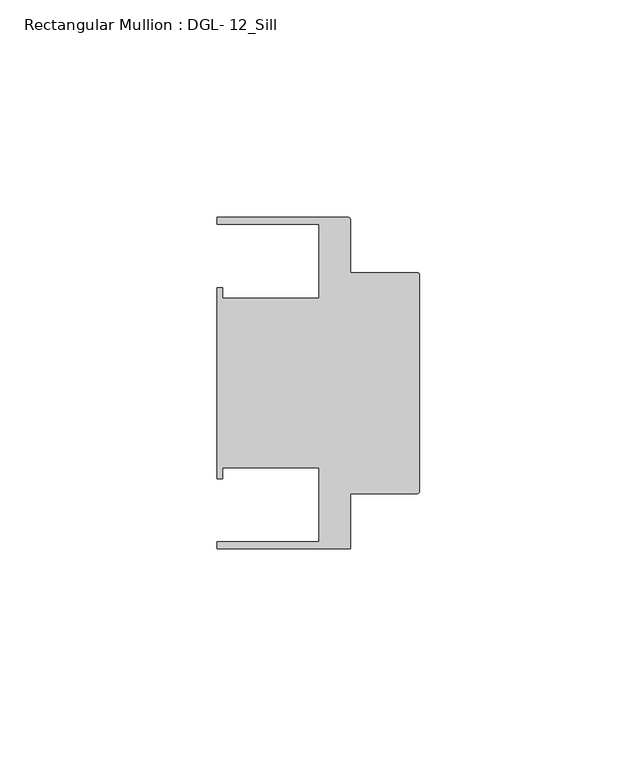
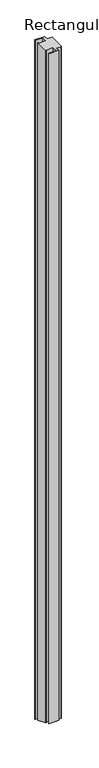
"""IFC4 building model written with IfcOpenShell, lengths in millimetres: member geometry, Rectangular Mullion : DGL- 12_Sill."""

import ifcopenshell
import ifcopenshell.guid

model = None  # the IFC model being written
_history = None  # IfcOwnerHistory: only IFC2X3 demands one
_inside = {}  # id of a spatial element -> (the spatial element, [elements in it])
_under = {}  # id of a project, library or spatial element -> (it, [spatial elements below it])
_declared = {}  # id of a project -> (the project, [libraries it declares])
_typed = {}  # id of a type object -> (the type object, [elements of that type])
_made_of = {}  # id of a material, layer set ... -> (it, [elements and type objects made of it])


def new_model(schema):
    """Start an empty IFC model of exactly this schema.

    Asked for "IFC4X3", IfcOpenShell would pick the latest addendum, in which some entities
    have other attributes; the version numbers below select the first issue.
    IFC2X3 requires an IfcOwnerHistory on every rooted entity: one is made here for all.
    """
    global model, _history
    if schema == "IFC4X3":
        model = ifcopenshell.file(schema_version=(4, 3, 0, 0))
    else:
        model = ifcopenshell.file(schema=schema)
    _inside.clear()
    _under.clear()
    _declared.clear()
    _typed.clear()
    _made_of.clear()
    _history = None
    if model.schema == "IFC2X3":
        org = make("IfcOrganization", Name="unknown")
        user = make(
            "IfcPersonAndOrganization",
            ThePerson=make("IfcPerson", FamilyName="unknown"),
            TheOrganization=org,
        )
        app = make(
            "IfcApplication",
            ApplicationDeveloper=org,
            Version="unknown",
            ApplicationFullName="unknown",
            ApplicationIdentifier="unknown",
        )
        _history = make(
            "IfcOwnerHistory",
            OwningUser=user,
            OwningApplication=app,
            ChangeAction="ADDED",
            CreationDate=0,
        )
    return model


def make(cls, **values):
    """One entity of the class cls with the attributes given. An attribute that is None is left unset."""
    return model.create_entity(
        cls, **{name: value for name, value in values.items() if value is not None}
    )


def rooted(cls, **values):
    """An entity with a GlobalId (a new one), such as an element, a storey or a relation."""
    return make(cls, GlobalId=ifcopenshell.guid.new(), OwnerHistory=_history, **values)


def si_unit(unit_type, name, prefix=None):
    """IfcSIUnit, for example si_unit("LENGTHUNIT", "METRE", prefix="MILLI")."""
    return make("IfcSIUnit", UnitType=unit_type, Prefix=prefix, Name=name)


def assignment(units):
    """IfcUnitAssignment: the units of a project."""
    return None if units is None else make("IfcUnitAssignment", Units=units)


def point(xyz):
    """IfcCartesianPoint."""
    return None if xyz is None else make("IfcCartesianPoint", Coordinates=xyz)


def direction(xyz):
    """IfcDirection."""
    return None if xyz is None else make("IfcDirection", DirectionRatios=xyz)


def frame(location, z_axis=None, x_axis=None):
    """IfcAxis2Placement3D, a coordinate frame: its origin and axes. An axis left out is left unset."""
    return make(
        "IfcAxis2Placement3D",
        Location=point(location),
        Axis=direction(z_axis),
        RefDirection=direction(x_axis),
    )


def origin():
    """The frame at (0, 0, 0) with its axes left unset."""
    return frame((0.0, 0.0, 0.0))


def place(relative_to, where):
    """IfcLocalPlacement: puts the frame where relative to a parent placement (None: the world)."""
    return make(
        "IfcLocalPlacement", PlacementRelTo=relative_to, RelativePlacement=where
    )


def context(
    kind, dimensions, precision=None, world=None, true_north=None, identifier=None
):
    """IfcGeometricRepresentationContext, for example the 3D "Model" context."""
    return make(
        "IfcGeometricRepresentationContext",
        ContextIdentifier=identifier,
        ContextType=kind,
        CoordinateSpaceDimension=dimensions,
        Precision=precision,
        WorldCoordinateSystem=world,
        TrueNorth=true_north,
    )


def project(units=None, contexts=None):
    """IfcProject with its units and contexts."""
    return rooted(
        "IfcProject",
        Name="project",
        RepresentationContexts=contexts,
        UnitsInContext=assignment(units),
    )


def spatial(cls, under=None, at=None, **own):
    """A site, building, storey or space (cls), placed at a placement, below another one or the project."""
    s = rooted(cls, ObjectPlacement=at, **own)
    if under is not None:
        _under.setdefault(under.id(), (under, []))[1].append(s)
    return s


def circle_curve(where, radius):
    """IfcCircle in the frame where."""
    return make("IfcCircle", Position=where, Radius=radius)


def ellipse_curve(where, semi_axis1, semi_axis2):
    """IfcEllipse in the frame where."""
    return make(
        "IfcEllipse", Position=where, SemiAxis1=semi_axis1, SemiAxis2=semi_axis2
    )


def shape(context_of_items, identifier, shape_type, items):
    """IfcShapeRepresentation: the items that make up one representation, for example the "Body"."""
    return make(
        "IfcShapeRepresentation",
        ContextOfItems=context_of_items,
        RepresentationIdentifier=identifier,
        RepresentationType=shape_type,
        Items=items,
    )


def source(mapping_origin, context_of_items, identifier, shape_type, items):
    """IfcRepresentationMap: a shape defined once, which mapped items show again and again."""
    return make(
        "IfcRepresentationMap",
        MappingOrigin=mapping_origin,
        MappedRepresentation=shape(context_of_items, identifier, shape_type, items),
    )


def transform(
    local_origin,
    x_axis=None,
    y_axis=None,
    z_axis=None,
    scale=None,
    scale2=None,
    scale3=None,
    uniform=True,
):
    """IfcCartesianTransformationOperator3D, or its non-uniform kind. x_axis, y_axis, z_axis: its Axis1, 2, 3."""
    if uniform:
        return make(
            "IfcCartesianTransformationOperator3D",
            Axis1=direction(x_axis),
            Axis2=direction(y_axis),
            LocalOrigin=point(local_origin),
            Scale=scale,
            Axis3=direction(z_axis),
        )
    return make(
        "IfcCartesianTransformationOperator3DnonUniform",
        Axis1=direction(x_axis),
        Axis2=direction(y_axis),
        LocalOrigin=point(local_origin),
        Scale=scale,
        Axis3=direction(z_axis),
        Scale2=scale2,
        Scale3=scale3,
    )


def mapped(mapping_source, mapping_target):
    """IfcMappedItem: shows the shape of a source again, moved by a transform."""
    return make(
        "IfcMappedItem", MappingSource=mapping_source, MappingTarget=mapping_target
    )


def made_of(thing, what):
    """Note that an element or type object is made of a material, layer set ...; save() writes the relation."""
    if what is not None:
        _made_of.setdefault(what.id(), (what, []))[1].append(thing)
    return thing


def element(
    cls,
    number,
    at=None,
    inside=None,
    cuts=None,
    type_object=None,
    material=None,
    context=None,
    identifier="Body",
    shape_type=None,
    held_by="IfcProductDefinitionShape",
    body=None,
    shapes=None,
    **own,
):
    """One element of the class cls, such as IfcWall. Its Tag is "e" and its number.

    at: its placement. inside: the storey or other place that contains it. cuts: it is an
    opening in that element (IfcRelVoidsElement). A single representation is given by context,
    identifier, shape_type and body (its items); several are given by shapes. held_by: the class
    of the entity that holds the representations. save() writes the other relations.
    """
    e = rooted(cls, Tag="e%d" % number, ObjectPlacement=at, **own)
    if body is not None:
        shapes = [shape(context, identifier, shape_type, body)]
    if shapes is not None:
        e.Representation = make(held_by, Representations=shapes)
    if inside is not None:
        _inside.setdefault(inside.id(), (inside, []))[1].append(e)
    if cuts is not None:
        rooted(
            "IfcRelVoidsElement", RelatingBuildingElement=cuts, RelatedOpeningElement=e
        )
    if type_object is not None:
        _typed.setdefault(type_object.id(), (type_object, []))[1].append(e)
    return made_of(e, material)


def aggregate(whole, parts):
    """IfcRelAggregates: a whole, such as a stair, and the parts it consists of."""
    return rooted("IfcRelAggregates", RelatingObject=whole, RelatedObjects=parts)


def save(model, path):
    """Write the relations noted so far, then the file.

    IfcRelAggregates (storeys below a building ...), IfcRelContainedInSpatialStructure (elements
    in a storey), IfcRelDefinesByType, IfcRelAssociatesMaterial and IfcRelDeclares: one each for
    every whole, place, type object, material and project.
    """
    for whole, parts in _under.values():
        aggregate(whole, parts)
    for where, things in _inside.values():
        rooted(
            "IfcRelContainedInSpatialStructure",
            RelatedElements=things,
            RelatingStructure=where,
        )
    for kind, things in _typed.values():
        rooted("IfcRelDefinesByType", RelatedObjects=things, RelatingType=kind)
    for what, things in _made_of.values():
        rooted("IfcRelAssociatesMaterial", RelatedObjects=things, RelatingMaterial=what)
    for by, libraries in _declared.values():
        rooted("IfcRelDeclares", RelatingContext=by, RelatedDefinitions=libraries)
    model.write(path)


def plane_surface(at):
    """IfcPlane: the flat surface through the origin of the frame at, square to its z axis."""
    return make("IfcPlane", Position=at)


def cylinder_surface(at, radius):
    """IfcCylindricalSurface: all points at the distance radius from the z axis of the frame at."""
    return make("IfcCylindricalSurface", Position=at, Radius=radius)


def advanced_brep(points, edges, surfaces, faces):
    """IfcAdvancedBrep: a solid bounded by faces that lie on surfaces and meet in shared edges.

    An edge is (start, end): straight between two places in points (the first is 0);
    or (start, end, curve); or (start, end, curve, False) where it runs against its curve.
    A face is (place in surfaces, loops), or (place, loops, False) where it looks against
    its surface's normal. A loop lists edges by number (the first is 1), with a minus sign
    where the edge is run from its end to its start. The first loop is the outer one.
    """
    corners = [point(p) for p in points]
    vertices = [make("IfcVertexPoint", VertexGeometry=c) for c in corners]
    made = []
    for start, end, *more in edges:
        made.append(
            make(
                "IfcEdgeCurve",
                EdgeStart=vertices[start],
                EdgeEnd=vertices[end],
                EdgeGeometry=more[0] if more else make("IfcPolyline", Points=[corners[start], corners[end]]),
                SameSense=more[1] if len(more) > 1 else True,
            )
        )
    hull = []
    for where, loops, *sense in faces:
        bounds = []
        for j, loop in enumerate(loops):
            ring = [make("IfcOrientedEdge", EdgeElement=made[abs(k) - 1], Orientation=k > 0) for k in loop]
            bounds.append(
                make(
                    "IfcFaceOuterBound" if j == 0 else "IfcFaceBound",
                    Bound=make("IfcEdgeLoop", EdgeList=ring),
                    Orientation=True,
                )
            )
        hull.append(make("IfcAdvancedFace", Bounds=bounds, FaceSurface=surfaces[where], SameSense=sense[0] if sense else True))
    return make("IfcAdvancedBrep", Outer=make("IfcClosedShell", CfsFaces=hull))


def rectangular_mullion_dgl_12_sill_04ffaf13(model_context):
    return source(origin(), model_context, "Body", "AdvancedBrep", [
        advanced_brep(
        [(-0.5953125, -25.4, 0.0), (0.0, -24.8046875, 0.0), (0.0, 24.8046875, 0.0), (-0.5953125, 25.4, 0.0), (-15.8750672, 25.4, 0.0), (-15.8750672, 37.5047035, 0.0), (-16.4703797, 38.100016, 0.0), (-46.54296, 38.100016, 0.0), (-46.54296, 36.512516, 0.0), (-23.1202791, 36.512516, 0.0), (-23.1202791, 19.4824275, 0.0), (-45.2865266, 19.4824275, 0.0), (-45.2865266, 21.9710976, 0.0), (-46.54296, 21.9710976, 0.0), (-46.54296, -21.9710976, 0.0), (-45.2865266, -21.9710976, 0.0), (-45.2865266, -19.4824275, 0.0), (-23.1202791, -19.4824275, 0.0), (-23.1202791, -36.512516, 0.0), (-46.54296, -36.512516, 0.0), (-46.54296, -38.0996792, 0.0), (-15.8750672, -38.0996792, 0.0), (-15.8750672, -25.4, 0.0), (-0.5953125, -25.4, -2229.4450157), (0.0, -24.8046875, -2229.6916022), (0.0, 24.8046875, -2250.2404781), (-0.5953125, 25.4, -2250.4870646), (-15.8750672, 25.4, -2250.4870646), (-15.8750672, 37.5047035, -2255.500997), (-16.4703797, 38.100016, -2255.7475835), (-46.54296, 38.100016, -2255.7475835), (-46.54296, 36.512516, -2255.0900195), (-23.1202791, 36.512516, -2255.0900195), (-23.1202791, 19.4824275, -2248.0359259), (-45.2865266, 19.4824275, -2248.0359259), (-45.2865266, 21.9710976, -2249.0667668), (-46.54296, 21.9710976, -2249.0667668), (-46.54296, -21.9710976, -2230.8653136), (-45.2865266, -21.9710976, -2230.8653136), (-45.2865266, -19.4824275, -2231.8961545), (-23.1202791, -19.4824275, -2231.8961545), (-23.1202791, -36.512516, -2224.8420609), (-46.54296, -36.512516, -2224.8420609), (-46.54296, -38.0996792, -2224.1846363), (-15.8750672, -38.0996792, -2224.1846363), (-15.8750672, -25.4, -2229.4450157)],
        [
            (0, 1, circle_curve(frame((-0.5953125, -24.8046875, 0.0), z_axis=(0.0, 0.0, 1.0), x_axis=(-1.0, 0.0, 0.0)), 0.5953125)),
            (1, 2),
            (2, 3, circle_curve(frame((-0.5953125, 24.8046875, 0.0), z_axis=(0.0, 0.0, 1.0), x_axis=(-1.0, 0.0, 0.0)), 0.5953125)),
            (3, 4),
            (4, 5),
            (5, 6, circle_curve(frame((-16.4703797, 37.5047035, 0.0), z_axis=(0.0, 0.0, 1.0), x_axis=(-1.0, 0.0, 0.0)), 0.5953125)),
            (6, 7),
            (7, 8),
            (8, 9),
            (9, 10),
            (10, 11),
            (11, 12),
            (12, 13),
            (13, 14),
            (14, 15),
            (15, 16),
            (16, 17),
            (17, 18),
            (18, 19),
            (19, 20),
            (20, 21),
            (21, 22),
            (22, 0),
            (0, 23),
            (23, 24, ellipse_curve(frame((-0.5953125, -24.8046875, -2229.6916022), z_axis=(0.0, 0.38268343236509056, 0.9238795325112865), x_axis=(0.0, -0.9238795325112865, 0.38268343236509034)), 0.6443616, 0.5953125)),
            (24, 1),
            (24, 25),
            (25, 2),
            (25, 26, ellipse_curve(frame((-0.5953125, 24.8046875, -2250.2404781), z_axis=(0.0, 0.38268343236509056, 0.9238795325112865), x_axis=(0.0, -0.9238795325112865, 0.38268343236509034)), 0.6443616, 0.5953125)),
            (26, 3),
            (26, 27),
            (27, 4),
            (27, 28),
            (28, 5),
            (28, 29, ellipse_curve(frame((-16.4703797, 37.5047035, -2255.500997), z_axis=(0.0, 0.38268343236509056, 0.9238795325112865), x_axis=(0.0, -0.9238795325112865, 0.38268343236509034)), 0.6443616, 0.5953125)),
            (29, 6),
            (29, 30),
            (30, 7),
            (30, 31),
            (31, 8),
            (31, 32),
            (32, 9),
            (32, 33),
            (33, 10),
            (33, 34),
            (34, 11),
            (34, 35),
            (35, 12),
            (35, 36),
            (36, 13),
            (36, 37),
            (37, 14),
            (37, 38),
            (38, 15),
            (38, 39),
            (39, 16),
            (39, 40),
            (40, 17),
            (40, 41),
            (41, 18),
            (41, 42),
            (42, 19),
            (42, 43),
            (43, 20),
            (43, 44),
            (44, 21),
            (44, 45),
            (45, 22),
            (45, 23),
        ],
        [
            plane_surface(frame((0.0, -60.1486354, 0.0), z_axis=(0.0, 0.0, 1.0), x_axis=(-1.0, 0.0, 0.0))),
            cylinder_surface(frame((-0.5953125, -24.8046875, 0.0), z_axis=(0.0, 0.0, 1.0), x_axis=(-1.0, 0.0, 0.0)), 0.5953125),
            plane_surface(frame((0.0, -24.8046875, 0.0), z_axis=(1.0, 0.0, 0.0), x_axis=(0.0, 0.0, -1.0))),
            cylinder_surface(frame((-0.5953125, 24.8046875, 0.0), z_axis=(0.0, 0.0, 1.0), x_axis=(-1.0, 0.0, 0.0)), 0.5953125),
            plane_surface(frame((-0.5953125, 25.4, 0.0), z_axis=(0.0, 1.0, 0.0), x_axis=(0.0, 0.0, -1.0))),
            plane_surface(frame((-15.8750672, 25.4, 0.0), z_axis=(1.0, 0.0, 0.0), x_axis=(0.0, 0.0, -1.0))),
            cylinder_surface(frame((-16.4703797, 37.5047035, 0.0), z_axis=(0.0, 0.0, 1.0), x_axis=(-1.0, 0.0, 0.0)), 0.5953125),
            plane_surface(frame((-16.4703797, 38.100016, 0.0), z_axis=(0.0, 1.0, 0.0), x_axis=(0.0, 0.0, -1.0))),
            plane_surface(frame((-46.54296, 38.100016, 0.0), z_axis=(-1.0, 0.0, 0.0), x_axis=(0.0, 0.0, -1.0))),
            plane_surface(frame((-46.54296, 36.512516, 0.0), z_axis=(0.0, -1.0, 0.0), x_axis=(0.0, 0.0, -1.0))),
            plane_surface(frame((-23.1202791, 36.512516, 0.0), z_axis=(-1.0, 0.0, 0.0), x_axis=(0.0, 0.0, -1.0))),
            plane_surface(frame((-23.1202791, 19.4824275, 0.0), z_axis=(0.0, 1.0, 0.0), x_axis=(0.0, 0.0, -1.0))),
            plane_surface(frame((-45.2865266, 19.4824275, 0.0), z_axis=(1.0, 0.0, 0.0), x_axis=(0.0, 0.0, -1.0))),
            plane_surface(frame((-45.2865266, 21.9710976, 0.0), z_axis=(0.0, 1.0, 0.0), x_axis=(0.0, 0.0, -1.0))),
            plane_surface(frame((-46.54296, 21.9710976, 0.0), z_axis=(-1.0, 0.0, 0.0), x_axis=(0.0, 0.0, -1.0))),
            plane_surface(frame((-46.54296, -21.9710976, 0.0), z_axis=(0.0, -1.0, 0.0), x_axis=(0.0, 0.0, -1.0))),
            plane_surface(frame((-45.2865266, -21.9710976, 0.0), z_axis=(1.0, 0.0, 0.0), x_axis=(0.0, 0.0, -1.0))),
            plane_surface(frame((-45.2865266, -19.4824275, 0.0), z_axis=(0.0, -1.0, 0.0), x_axis=(0.0, 0.0, -1.0))),
            plane_surface(frame((-23.1202791, -19.4824275, 0.0), z_axis=(-1.0, 0.0, 0.0), x_axis=(0.0, 0.0, -1.0))),
            plane_surface(frame((-23.1202791, -36.512516, 0.0), z_axis=(0.0, 1.0, 0.0), x_axis=(0.0, 0.0, -1.0))),
            plane_surface(frame((-46.54296, -36.512516, 0.0), z_axis=(-1.0, 0.0, 0.0), x_axis=(0.0, 0.0, -1.0))),
            plane_surface(frame((-46.54296, -38.0996792, 0.0), z_axis=(0.0, -1.0, 0.0), x_axis=(0.0, 0.0, -1.0))),
            plane_surface(frame((-15.8750672, -38.0996792, 0.0), z_axis=(1.0, 0.0, 0.0), x_axis=(0.0, 0.0, -1.0))),
            plane_surface(frame((-15.8750672, -25.4, 0.0), z_axis=(0.0, -1.0, 0.0), x_axis=(0.0, 0.0, -1.0))),
            plane_surface(frame((304.8, 0.0, -2239.9660402), z_axis=(0.0, -0.38268343236509056, -0.9238795325112865), x_axis=(0.0, -0.9238795325112865, 0.38268343236509056))),
        ],
        [
            (0, [[1, 2, 3, 4, 5, 6, 7, 8, 9, 10, 11, 12, 13, 14, 15, 16, 17, 18, 19, 20, 21, 22, 23]]),
            (1, [[-1, 24, 25, 26]]),
            (2, [[-2, -26, 27, 28]]),
            (3, [[-3, -28, 29, 30]]),
            (4, [[-4, -30, 31, 32]]),
            (5, [[-5, -32, 33, 34]]),
            (6, [[-6, -34, 35, 36]]),
            (7, [[-7, -36, 37, 38]]),
            (8, [[-8, -38, 39, 40]]),
            (9, [[-9, -40, 41, 42]]),
            (10, [[-10, -42, 43, 44]]),
            (11, [[-11, -44, 45, 46]]),
            (12, [[-12, -46, 47, 48]]),
            (13, [[-13, -48, 49, 50]]),
            (14, [[-14, -50, 51, 52]]),
            (15, [[-15, -52, 53, 54]]),
            (16, [[-16, -54, 55, 56]]),
            (17, [[-17, -56, 57, 58]]),
            (18, [[-18, -58, 59, 60]]),
            (19, [[-19, -60, 61, 62]]),
            (20, [[-20, -62, 63, 64]]),
            (21, [[-21, -64, 65, 66]]),
            (22, [[-22, -66, 67, 68]]),
            (23, [[-23, -68, 69, -24]]),
            (24, [[-69, -67, -65, -63, -61, -59, -57, -55, -53, -51, -49, -47, -45, -43, -41, -39, -37, -35, -33, -31, -29, -27, -25]]),
        ],
    ),
    ])


if __name__ == "__main__":
    model = new_model("IFC4")
    model_context = context("Model", 3, world=origin())
    ifc_project = project(units=[si_unit("LENGTHUNIT", "METRE", prefix="MILLI")], contexts=[model_context])
    site = spatial("IfcSite", under=ifc_project)
    building = spatial("IfcBuilding", under=site)
    placement = place(None, origin())
    rectangular_mullion_dgl_12_sill_shape = rectangular_mullion_dgl_12_sill_04ffaf13(model_context)
    element("IfcMember", 1, ObjectType="Rectangular Mullion : DGL- 12_Sill", at=placement, inside=building, context=model_context, shape_type="MappedRepresentation", body=[
        mapped(rectangular_mullion_dgl_12_sill_shape, transform((0.0, 0.0, 0.0), x_axis=(1.0, 0.0, 0.0), y_axis=(0.0, 1.0, 0.0), z_axis=(0.0, 0.0, 1.0))),
    ])
    save(model, "model.ifc")
